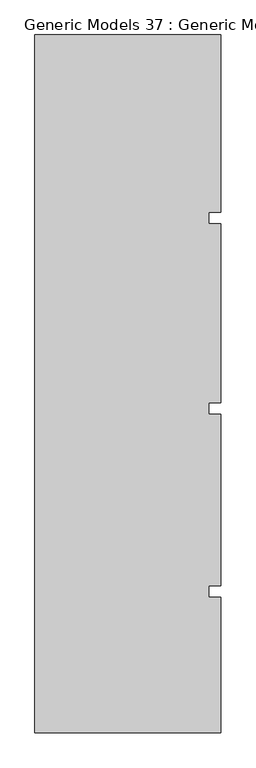
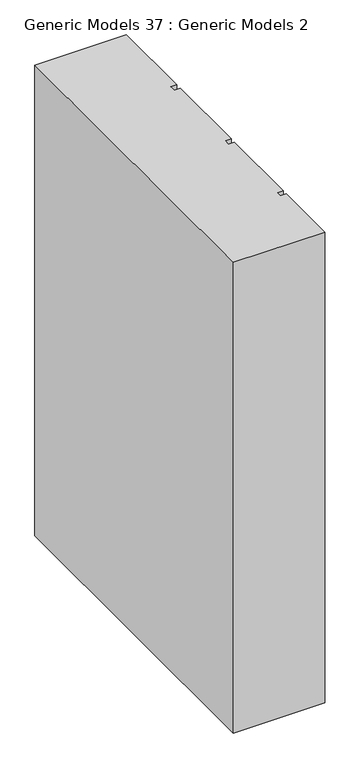
"""IFC4 building model written with IfcOpenShell, lengths in millimetres: proxy geometry, Generic Models 37 : Generic Models 2."""

from ifc_helpers import new_model, si_unit, frame, origin, place, context, project, spatial, polyline, outline, extrude, source, transform, mapped, element, save


def generic_models_37_generic_models_2_d7ad445f(model_context):
    return source(origin(), model_context, "Body", "SweptSolid", [
        extrude(outline(polyline([(6158.9891931, -239.4418036), (6646.0314083, -239.4418036), (6646.0314083, -703.851216), (6614.3889077, -703.851216), (6614.3889077, -733.8846489), (6646.0314083, -733.8846489), (6646.0314083, -1203.851216), (6614.3889077, -1203.851216), (6614.3889077, -1233.8846489), (6646.0314083, -1233.8846489), (6646.0314083, -1683.851216), (6614.3889077, -1683.851216), (6614.3889077, -1713.8846489), (6646.0314083, -1713.8846489), (6646.0314083, -2068.9906388), (6158.9891931, -2068.9906388), (6158.9891931, -239.4418036)])), frame((0.0, 0.0, 15000.0), z_axis=(0.0, 0.0, 1.0), x_axis=(1.0, 0.0, 0.0)), (0.0, 0.0, 1.0), 2649.2710256),
    ])


if __name__ == "__main__":
    model = new_model("IFC4")
    model_context = context("Model", 3, world=origin())
    ifc_project = project(units=[si_unit("LENGTHUNIT", "METRE", prefix="MILLI")], contexts=[model_context])
    site = spatial("IfcSite", under=ifc_project)
    building = spatial("IfcBuilding", under=site)
    placement = place(None, origin())
    generic_models_37_generic_models_2_shape = generic_models_37_generic_models_2_d7ad445f(model_context)
    element("IfcBuildingElementProxy", 1, Name="Generic Models 37 : Generic Models 2", ObjectType="Generic Models 37 : Generic Models 2", at=placement, inside=building, context=model_context, shape_type="MappedRepresentation", body=[
        mapped(generic_models_37_generic_models_2_shape, transform((0.0, 0.0, 0.0), x_axis=(1.0, 0.0, 0.0), y_axis=(0.0, 1.0, 0.0), z_axis=(0.0, 0.0, 1.0))),
    ])
    save(model, "model.ifc")
